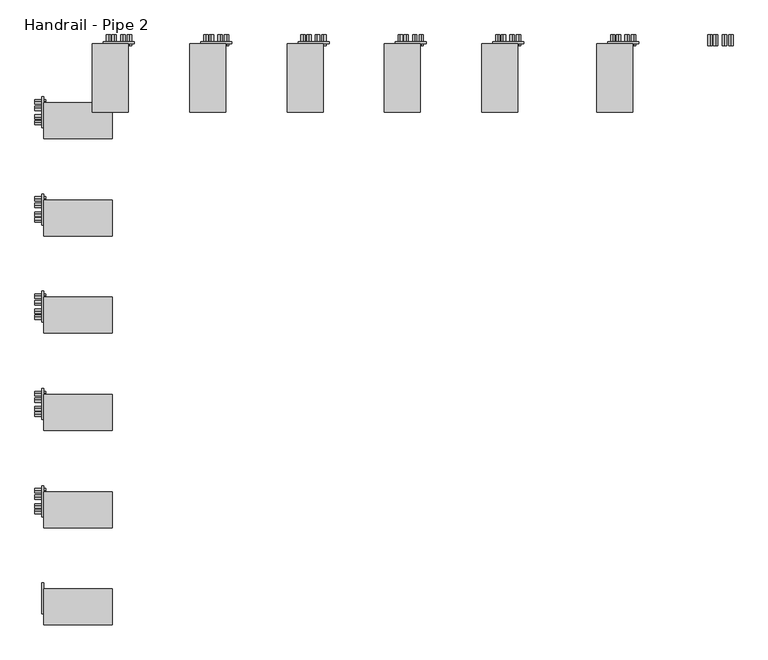
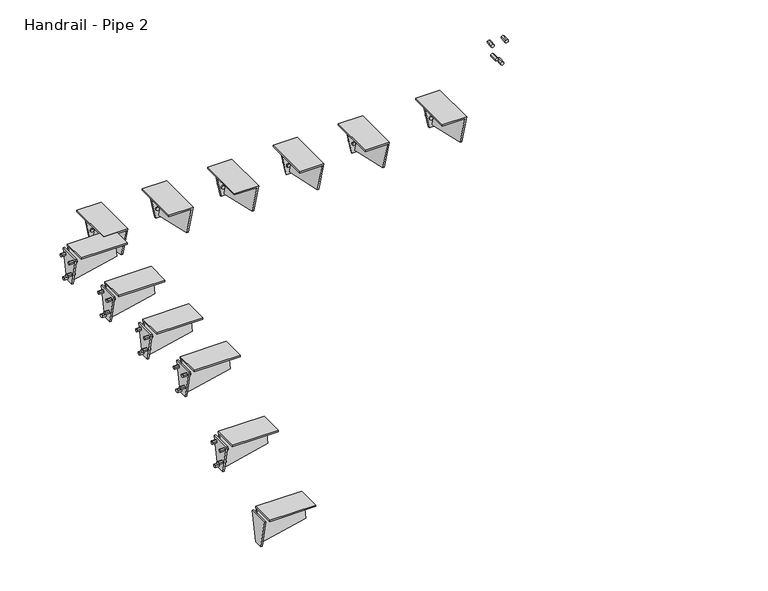
"""IFC4 building model written with IfcOpenShell, lengths in millimetres: railing geometry, Handrail - Pipe 2."""

from ifc_helpers import new_model, si_unit, frame, origin, place, context, project, spatial, polyline, outline, extrude, faceted_brep, source, transform, mapped, element, save


def handrail_pipe_2_86e8c2e3(model_context):
    return source(origin(), model_context, "Body", "SolidModel", [
        extrude(outline(polyline([(1708.0834229, -4692.4384842), (1704.4172487, -4698.7884842), (1697.0849002, -4698.7884842), (1693.418726, -4692.4384842), (1697.0849002, -4686.0884842), (1704.4172487, -4686.0884842), (1708.0834229, -4692.4384842)])), frame((0.0, 2730.2833141, 0.0), z_axis=(0.0, 1.0, 0.0), x_axis=(0.0, 0.0, 1.0)), (0.0, 0.0, 1.0), 31.75),
        extrude(outline(polyline([(1801.4837322, -4673.7584223), (1797.817558, -4680.1084223), (1790.4852096, -4680.1084223), (1786.8190354, -4673.7584223), (1790.4852096, -4667.4084223), (1797.817558, -4667.4084223), (1801.4837322, -4673.7584223)])), frame((0.0, 2730.2833141, 0.0), z_axis=(0.0, 1.0, 0.0), x_axis=(0.0, 0.0, 1.0)), (0.0, 0.0, 1.0), 31.75),
        extrude(outline(polyline([(1735.0709229, -4717.3502116), (1731.4047487, -4723.7002116), (1724.0724002, -4723.7002116), (1720.406226, -4717.3502116), (1724.0724002, -4711.0002116), (1731.4047487, -4711.0002116), (1735.0709229, -4717.3502116)])), frame((0.0, 2730.2833141, 0.0), z_axis=(0.0, 1.0, 0.0), x_axis=(0.0, 0.0, 1.0)), (0.0, 0.0, 1.0), 31.75),
        extrude(outline(polyline([(1801.4837322, -4733.6490235), (1797.817558, -4739.9990235), (1790.4852096, -4739.9990235), (1786.8190354, -4733.6490235), (1790.4852096, -4727.2990235), (1797.817558, -4727.2990235), (1801.4837322, -4733.6490235)])), frame((0.0, 2730.2833141, 0.0), z_axis=(0.0, 1.0, 0.0), x_axis=(0.0, 0.0, 1.0)), (0.0, 0.0, 1.0), 31.75),
        extrude(outline(polyline([(1642.5333333, -5027.5537229), (1515.5333333, -5002.1537229), (1515.5333333, -4964.0537229), (1642.5333333, -4938.6537229), (1642.5333333, -5027.5537229)])), frame((0.0, 2736.6333141, 0.0), z_axis=(0.0, 1.0, 0.0), x_axis=(0.0, 0.0, 1.0)), (0.0, 0.0, 1.0), 6.35),
        faceted_brep([(-4955.7987229, 2539.7833141, 1667.9333333), (-5059.3037229, 2539.7833141, 1667.9333333), (-5059.3037229, 2539.7833141, 1661.706646), (-4963.3940604, 2539.7833141, 1661.706646), (-4983.4181099, 2539.7833141, 1561.5863986), (-4977.0681099, 2539.7833141, 1561.5863986), (-4955.7987229, 2736.6333141, 1667.9333333), (-4984.5401346, 2736.6333141, 1524.2262748), (-4990.8901346, 2736.6333141, 1524.2262748), (-4963.3940604, 2736.6333141, 1661.706646), (-5059.3037229, 2736.6333141, 1661.706646), (-5059.3037229, 2736.6333141, 1667.9333333)], [[[0, 1, 2, 3, 4, 5]], [[6, 7, 8, 9, 10, 11]], [[6, 11, 1, 0]], [[11, 10, 2, 1]], [[10, 9, 3, 2]], [[9, 8, 4, 3]], [[8, 7, 5, 4]], [[7, 6, 0, 5]]]),
        extrude(outline(polyline([(1538.7500895, -4971.8384842), (1535.0839153, -4978.1884842), (1527.7515669, -4978.1884842), (1524.0853927, -4971.8384842), (1527.7515669, -4965.4884842), (1535.0839153, -4965.4884842), (1538.7500895, -4971.8384842)])), frame((0.0, 2730.2833141, 0.0), z_axis=(0.0, 1.0, 0.0), x_axis=(0.0, 0.0, 1.0)), (0.0, 0.0, 1.0), 31.75),
        extrude(outline(polyline([(1632.1503989, -4953.1584223), (1628.4842247, -4959.5084223), (1621.1518763, -4959.5084223), (1617.4857021, -4953.1584223), (1621.1518763, -4946.8084223), (1628.4842247, -4946.8084223), (1632.1503989, -4953.1584223)])), frame((0.0, 2730.2833141, 0.0), z_axis=(0.0, 1.0, 0.0), x_axis=(0.0, 0.0, 1.0)), (0.0, 0.0, 1.0), 31.75),
        extrude(outline(polyline([(1565.7375895, -4996.7502116), (1562.0714153, -5003.1002116), (1554.7390669, -5003.1002116), (1551.0728927, -4996.7502116), (1554.7390669, -4990.4002116), (1562.0714153, -4990.4002116), (1565.7375895, -4996.7502116)])), frame((0.0, 2730.2833141, 0.0), z_axis=(0.0, 1.0, 0.0), x_axis=(0.0, 0.0, 1.0)), (0.0, 0.0, 1.0), 31.75),
        extrude(outline(polyline([(1632.1503989, -5013.0490235), (1628.4842247, -5019.3990235), (1621.1518763, -5019.3990235), (1617.4857021, -5013.0490235), (1621.1518763, -5006.6990235), (1628.4842247, -5006.6990235), (1632.1503989, -5013.0490235)])), frame((0.0, 2730.2833141, 0.0), z_axis=(0.0, 1.0, 0.0), x_axis=(0.0, 0.0, 1.0)), (0.0, 0.0, 1.0), 31.75),
        extrude(outline(polyline([(1642.5333333, -5357.7537229), (1515.5333333, -5332.3537229), (1515.5333333, -5294.2537229), (1642.5333333, -5268.8537229), (1642.5333333, -5357.7537229)])), frame((0.0, 2736.6333141, 0.0), z_axis=(0.0, 1.0, 0.0), x_axis=(0.0, 0.0, 1.0)), (0.0, 0.0, 1.0), 6.35),
        faceted_brep([(-5285.9987229, 2539.7833141, 1667.9333333), (-5389.5037229, 2539.7833141, 1667.9333333), (-5389.5037229, 2539.7833141, 1661.706646), (-5293.5940604, 2539.7833141, 1661.706646), (-5313.6181099, 2539.7833141, 1561.5863986), (-5307.2681099, 2539.7833141, 1561.5863986), (-5285.9987229, 2736.6333141, 1667.9333333), (-5314.7401346, 2736.6333141, 1524.2262748), (-5321.0901346, 2736.6333141, 1524.2262748), (-5293.5940604, 2736.6333141, 1661.706646), (-5389.5037229, 2736.6333141, 1661.706646), (-5389.5037229, 2736.6333141, 1667.9333333)], [[[0, 1, 2, 3, 4, 5]], [[6, 7, 8, 9, 10, 11]], [[6, 11, 1, 0]], [[11, 10, 2, 1]], [[10, 9, 3, 2]], [[9, 8, 4, 3]], [[8, 7, 5, 4]], [[7, 6, 0, 5]]]),
        extrude(outline(polyline([(1538.7500895, -5302.0384842), (1535.0839153, -5308.3884842), (1527.7515669, -5308.3884842), (1524.0853927, -5302.0384842), (1527.7515669, -5295.6884842), (1535.0839153, -5295.6884842), (1538.7500895, -5302.0384842)])), frame((0.0, 2730.2833141, 0.0), z_axis=(0.0, 1.0, 0.0), x_axis=(0.0, 0.0, 1.0)), (0.0, 0.0, 1.0), 31.75),
        extrude(outline(polyline([(1632.1503989, -5283.3584223), (1628.4842247, -5289.7084223), (1621.1518763, -5289.7084223), (1617.4857021, -5283.3584223), (1621.1518763, -5277.0084223), (1628.4842247, -5277.0084223), (1632.1503989, -5283.3584223)])), frame((0.0, 2730.2833141, 0.0), z_axis=(0.0, 1.0, 0.0), x_axis=(0.0, 0.0, 1.0)), (0.0, 0.0, 1.0), 31.75),
        extrude(outline(polyline([(1565.7375895, -5326.9502116), (1562.0714153, -5333.3002116), (1554.7390669, -5333.3002116), (1551.0728927, -5326.9502116), (1554.7390669, -5320.6002116), (1562.0714153, -5320.6002116), (1565.7375895, -5326.9502116)])), frame((0.0, 2730.2833141, 0.0), z_axis=(0.0, 1.0, 0.0), x_axis=(0.0, 0.0, 1.0)), (0.0, 0.0, 1.0), 31.75),
        extrude(outline(polyline([(1632.1503989, -5343.2490235), (1628.4842247, -5349.5990235), (1621.1518763, -5349.5990235), (1617.4857021, -5343.2490235), (1621.1518763, -5336.8990235), (1628.4842247, -5336.8990235), (1632.1503989, -5343.2490235)])), frame((0.0, 2730.2833141, 0.0), z_axis=(0.0, 1.0, 0.0), x_axis=(0.0, 0.0, 1.0)), (0.0, 0.0, 1.0), 31.75),
        extrude(outline(polyline([(1642.5333333, -5637.1537229), (1515.5333333, -5611.7537229), (1515.5333333, -5573.6537229), (1642.5333333, -5548.2537229), (1642.5333333, -5637.1537229)])), frame((0.0, 2736.6333141, 0.0), z_axis=(0.0, 1.0, 0.0), x_axis=(0.0, 0.0, 1.0)), (0.0, 0.0, 1.0), 6.35),
        faceted_brep([(-5565.3987229, 2539.7833141, 1667.9333333), (-5668.9037229, 2539.7833141, 1667.9333333), (-5668.9037229, 2539.7833141, 1661.706646), (-5572.9940604, 2539.7833141, 1661.706646), (-5593.0181099, 2539.7833141, 1561.5863986), (-5586.6681099, 2539.7833141, 1561.5863986), (-5565.3987229, 2736.6333141, 1667.9333333), (-5594.1401346, 2736.6333141, 1524.2262748), (-5600.4901346, 2736.6333141, 1524.2262748), (-5572.9940604, 2736.6333141, 1661.706646), (-5668.9037229, 2736.6333141, 1661.706646), (-5668.9037229, 2736.6333141, 1667.9333333)], [[[0, 1, 2, 3, 4, 5]], [[6, 7, 8, 9, 10, 11]], [[6, 11, 1, 0]], [[11, 10, 2, 1]], [[10, 9, 3, 2]], [[9, 8, 4, 3]], [[8, 7, 5, 4]], [[7, 6, 0, 5]]]),
        extrude(outline(polyline([(1538.7500895, -5581.4384842), (1535.0839153, -5587.7884842), (1527.7515669, -5587.7884842), (1524.0853927, -5581.4384842), (1527.7515669, -5575.0884842), (1535.0839153, -5575.0884842), (1538.7500895, -5581.4384842)])), frame((0.0, 2730.2833141, 0.0), z_axis=(0.0, 1.0, 0.0), x_axis=(0.0, 0.0, 1.0)), (0.0, 0.0, 1.0), 31.75),
        extrude(outline(polyline([(1632.1503989, -5562.7584223), (1628.4842247, -5569.1084223), (1621.1518763, -5569.1084223), (1617.4857021, -5562.7584223), (1621.1518763, -5556.4084223), (1628.4842247, -5556.4084223), (1632.1503989, -5562.7584223)])), frame((0.0, 2730.2833141, 0.0), z_axis=(0.0, 1.0, 0.0), x_axis=(0.0, 0.0, 1.0)), (0.0, 0.0, 1.0), 31.75),
        extrude(outline(polyline([(1565.7375895, -5606.3502116), (1562.0714153, -5612.7002116), (1554.7390669, -5612.7002116), (1551.0728927, -5606.3502116), (1554.7390669, -5600.0002116), (1562.0714153, -5600.0002116), (1565.7375895, -5606.3502116)])), frame((0.0, 2730.2833141, 0.0), z_axis=(0.0, 1.0, 0.0), x_axis=(0.0, 0.0, 1.0)), (0.0, 0.0, 1.0), 31.75),
        extrude(outline(polyline([(1632.1503989, -5622.6490235), (1628.4842247, -5628.9990235), (1621.1518763, -5628.9990235), (1617.4857021, -5622.6490235), (1621.1518763, -5616.2990235), (1628.4842247, -5616.2990235), (1632.1503989, -5622.6490235)])), frame((0.0, 2730.2833141, 0.0), z_axis=(0.0, 1.0, 0.0), x_axis=(0.0, 0.0, 1.0)), (0.0, 0.0, 1.0), 31.75),
        extrude(outline(polyline([(1642.5333333, -5916.5537229), (1515.5333333, -5891.1537229), (1515.5333333, -5853.0537229), (1642.5333333, -5827.6537229), (1642.5333333, -5916.5537229)])), frame((0.0, 2736.6333141, 0.0), z_axis=(0.0, 1.0, 0.0), x_axis=(0.0, 0.0, 1.0)), (0.0, 0.0, 1.0), 6.35),
        faceted_brep([(-5844.7987229, 2539.7833141, 1667.9333333), (-5948.3037229, 2539.7833141, 1667.9333333), (-5948.3037229, 2539.7833141, 1661.706646), (-5852.3940604, 2539.7833141, 1661.706646), (-5872.4181099, 2539.7833141, 1561.5863986), (-5866.0681099, 2539.7833141, 1561.5863986), (-5844.7987229, 2736.6333141, 1667.9333333), (-5873.5401346, 2736.6333141, 1524.2262748), (-5879.8901346, 2736.6333141, 1524.2262748), (-5852.3940604, 2736.6333141, 1661.706646), (-5948.3037229, 2736.6333141, 1661.706646), (-5948.3037229, 2736.6333141, 1667.9333333)], [[[0, 1, 2, 3, 4, 5]], [[6, 7, 8, 9, 10, 11]], [[6, 11, 1, 0]], [[11, 10, 2, 1]], [[10, 9, 3, 2]], [[9, 8, 4, 3]], [[8, 7, 5, 4]], [[7, 6, 0, 5]]]),
        extrude(outline(polyline([(1538.7500895, -5860.8384842), (1535.0839153, -5867.1884842), (1527.7515669, -5867.1884842), (1524.0853927, -5860.8384842), (1527.7515669, -5854.4884842), (1535.0839153, -5854.4884842), (1538.7500895, -5860.8384842)])), frame((0.0, 2730.2833141, 0.0), z_axis=(0.0, 1.0, 0.0), x_axis=(0.0, 0.0, 1.0)), (0.0, 0.0, 1.0), 31.75),
        extrude(outline(polyline([(1632.1503989, -5842.1584223), (1628.4842247, -5848.5084223), (1621.1518763, -5848.5084223), (1617.4857021, -5842.1584223), (1621.1518763, -5835.8084223), (1628.4842247, -5835.8084223), (1632.1503989, -5842.1584223)])), frame((0.0, 2730.2833141, 0.0), z_axis=(0.0, 1.0, 0.0), x_axis=(0.0, 0.0, 1.0)), (0.0, 0.0, 1.0), 31.75),
        extrude(outline(polyline([(1565.7375895, -5885.7502116), (1562.0714153, -5892.1002116), (1554.7390669, -5892.1002116), (1551.0728927, -5885.7502116), (1554.7390669, -5879.4002116), (1562.0714153, -5879.4002116), (1565.7375895, -5885.7502116)])), frame((0.0, 2730.2833141, 0.0), z_axis=(0.0, 1.0, 0.0), x_axis=(0.0, 0.0, 1.0)), (0.0, 0.0, 1.0), 31.75),
        extrude(outline(polyline([(1632.1503989, -5902.0490235), (1628.4842247, -5908.3990235), (1621.1518763, -5908.3990235), (1617.4857021, -5902.0490235), (1621.1518763, -5895.6990235), (1628.4842247, -5895.6990235), (1632.1503989, -5902.0490235)])), frame((0.0, 2730.2833141, 0.0), z_axis=(0.0, 1.0, 0.0), x_axis=(0.0, 0.0, 1.0)), (0.0, 0.0, 1.0), 31.75),
        extrude(outline(polyline([(1642.5333333, -6195.9537229), (1515.5333333, -6170.5537229), (1515.5333333, -6132.4537229), (1642.5333333, -6107.0537229), (1642.5333333, -6195.9537229)])), frame((0.0, 2736.6333141, 0.0), z_axis=(0.0, 1.0, 0.0), x_axis=(0.0, 0.0, 1.0)), (0.0, 0.0, 1.0), 6.35),
        faceted_brep([(-6124.1987229, 2539.7833141, 1667.9333333), (-6227.7037229, 2539.7833141, 1667.9333333), (-6227.7037229, 2539.7833141, 1661.706646), (-6131.7940604, 2539.7833141, 1661.706646), (-6151.8181099, 2539.7833141, 1561.5863986), (-6145.4681099, 2539.7833141, 1561.5863986), (-6124.1987229, 2736.6333141, 1667.9333333), (-6152.9401346, 2736.6333141, 1524.2262748), (-6159.2901346, 2736.6333141, 1524.2262748), (-6131.7940604, 2736.6333141, 1661.706646), (-6227.7037229, 2736.6333141, 1661.706646), (-6227.7037229, 2736.6333141, 1667.9333333)], [[[0, 1, 2, 3, 4, 5]], [[6, 7, 8, 9, 10, 11]], [[6, 11, 1, 0]], [[11, 10, 2, 1]], [[10, 9, 3, 2]], [[9, 8, 4, 3]], [[8, 7, 5, 4]], [[7, 6, 0, 5]]]),
        extrude(outline(polyline([(1538.7500895, -6140.2384842), (1535.0839153, -6146.5884842), (1527.7515669, -6146.5884842), (1524.0853927, -6140.2384842), (1527.7515669, -6133.8884842), (1535.0839153, -6133.8884842), (1538.7500895, -6140.2384842)])), frame((0.0, 2730.2833141, 0.0), z_axis=(0.0, 1.0, 0.0), x_axis=(0.0, 0.0, 1.0)), (0.0, 0.0, 1.0), 31.75),
        extrude(outline(polyline([(1632.1503989, -6121.5584223), (1628.4842247, -6127.9084223), (1621.1518763, -6127.9084223), (1617.4857021, -6121.5584223), (1621.1518763, -6115.2084223), (1628.4842247, -6115.2084223), (1632.1503989, -6121.5584223)])), frame((0.0, 2730.2833141, 0.0), z_axis=(0.0, 1.0, 0.0), x_axis=(0.0, 0.0, 1.0)), (0.0, 0.0, 1.0), 31.75),
        extrude(outline(polyline([(1565.7375895, -6165.1502116), (1562.0714153, -6171.5002116), (1554.7390669, -6171.5002116), (1551.0728927, -6165.1502116), (1554.7390669, -6158.8002116), (1562.0714153, -6158.8002116), (1565.7375895, -6165.1502116)])), frame((0.0, 2730.2833141, 0.0), z_axis=(0.0, 1.0, 0.0), x_axis=(0.0, 0.0, 1.0)), (0.0, 0.0, 1.0), 31.75),
        extrude(outline(polyline([(1632.1503989, -6181.4490235), (1628.4842247, -6187.7990235), (1621.1518763, -6187.7990235), (1617.4857021, -6181.4490235), (1621.1518763, -6175.0990235), (1628.4842247, -6175.0990235), (1632.1503989, -6181.4490235)])), frame((0.0, 2730.2833141, 0.0), z_axis=(0.0, 1.0, 0.0), x_axis=(0.0, 0.0, 1.0)), (0.0, 0.0, 1.0), 31.75),
        extrude(outline(polyline([(1642.5333333, -6475.3537229), (1515.5333333, -6449.9537229), (1515.5333333, -6411.8537229), (1642.5333333, -6386.4537229), (1642.5333333, -6475.3537229)])), frame((0.0, 2736.6333141, 0.0), z_axis=(0.0, 1.0, 0.0), x_axis=(0.0, 0.0, 1.0)), (0.0, 0.0, 1.0), 6.35),
        faceted_brep([(-6403.5987229, 2539.7833141, 1667.9333333), (-6507.1037229, 2539.7833141, 1667.9333333), (-6507.1037229, 2539.7833141, 1661.706646), (-6411.1940604, 2539.7833141, 1661.706646), (-6431.2181099, 2539.7833141, 1561.5863986), (-6424.8681099, 2539.7833141, 1561.5863986), (-6403.5987229, 2736.6333141, 1667.9333333), (-6432.3401346, 2736.6333141, 1524.2262748), (-6438.6901346, 2736.6333141, 1524.2262748), (-6411.1940604, 2736.6333141, 1661.706646), (-6507.1037229, 2736.6333141, 1661.706646), (-6507.1037229, 2736.6333141, 1667.9333333)], [[[0, 1, 2, 3, 4, 5]], [[6, 7, 8, 9, 10, 11]], [[6, 11, 1, 0]], [[11, 10, 2, 1]], [[10, 9, 3, 2]], [[9, 8, 4, 3]], [[8, 7, 5, 4]], [[7, 6, 0, 5]]]),
        extrude(outline(polyline([(1538.7500895, -6419.6384842), (1535.0839153, -6425.9884842), (1527.7515669, -6425.9884842), (1524.0853927, -6419.6384842), (1527.7515669, -6413.2884842), (1535.0839153, -6413.2884842), (1538.7500895, -6419.6384842)])), frame((0.0, 2730.2833141, 0.0), z_axis=(0.0, 1.0, 0.0), x_axis=(0.0, 0.0, 1.0)), (0.0, 0.0, 1.0), 31.75),
        extrude(outline(polyline([(1632.1503989, -6400.9584223), (1628.4842247, -6407.3084223), (1621.1518763, -6407.3084223), (1617.4857021, -6400.9584223), (1621.1518763, -6394.6084223), (1628.4842247, -6394.6084223), (1632.1503989, -6400.9584223)])), frame((0.0, 2730.2833141, 0.0), z_axis=(0.0, 1.0, 0.0), x_axis=(0.0, 0.0, 1.0)), (0.0, 0.0, 1.0), 31.75),
        extrude(outline(polyline([(1565.7375895, -6444.5502116), (1562.0714153, -6450.9002116), (1554.7390669, -6450.9002116), (1551.0728927, -6444.5502116), (1554.7390669, -6438.2002116), (1562.0714153, -6438.2002116), (1565.7375895, -6444.5502116)])), frame((0.0, 2730.2833141, 0.0), z_axis=(0.0, 1.0, 0.0), x_axis=(0.0, 0.0, 1.0)), (0.0, 0.0, 1.0), 31.75),
        extrude(outline(polyline([(1632.1503989, -6460.8490235), (1628.4842247, -6467.1990235), (1621.1518763, -6467.1990235), (1617.4857021, -6460.8490235), (1621.1518763, -6454.4990235), (1628.4842247, -6454.4990235), (1632.1503989, -6460.8490235)])), frame((0.0, 2730.2833141, 0.0), z_axis=(0.0, 1.0, 0.0), x_axis=(0.0, 0.0, 1.0)), (0.0, 0.0, 1.0), 31.75),
        extrude(outline(polyline([(2495.3333141, 1642.5333333), (2584.2333141, 1642.5333333), (2558.8333141, 1515.5333333), (2520.7333141, 1515.5333333), (2495.3333141, 1642.5333333)])), frame((-6653.1537229, 0.0, 0.0), z_axis=(1.0, 0.0, 0.0), x_axis=(0.0, 1.0, 0.0)), (0.0, 0.0, 1.0), 6.35),
        faceted_brep([(-6449.9537229, 2567.0883141, 1667.9333333), (-6449.9537229, 2463.5833141, 1667.9333333), (-6449.9537229, 2463.5833141, 1661.706646), (-6449.9537229, 2559.4929766, 1661.706646), (-6449.9537229, 2539.4689271, 1561.5863986), (-6449.9537229, 2545.8189271, 1561.5863986), (-6646.8037229, 2567.0883141, 1667.9333333), (-6646.8037229, 2538.3469023, 1524.2262748), (-6646.8037229, 2531.9969023, 1524.2262748), (-6646.8037229, 2559.4929766, 1661.706646), (-6646.8037229, 2463.5833141, 1661.706646), (-6646.8037229, 2463.5833141, 1667.9333333)], [[[0, 1, 2, 3, 4, 5]], [[6, 7, 8, 9, 10, 11]], [[6, 11, 1, 0]], [[11, 10, 2, 1]], [[10, 9, 3, 2]], [[9, 8, 4, 3]], [[8, 7, 5, 4]], [[7, 6, 0, 5]]]),
        extrude(outline(polyline([(2551.0485528, 1538.7500895), (2557.3985528, 1535.0839153), (2557.3985528, 1527.7515669), (2551.0485528, 1524.0853927), (2544.6985528, 1527.7515669), (2544.6985528, 1535.0839153), (2551.0485528, 1538.7500895)])), frame((-6672.2037229, 0.0, 0.0), z_axis=(1.0, 0.0, 0.0), x_axis=(0.0, 1.0, 0.0)), (0.0, 0.0, 1.0), 31.75),
        extrude(outline(polyline([(2569.7286147, 1632.1503989), (2576.0786147, 1628.4842247), (2576.0786147, 1621.1518763), (2569.7286147, 1617.4857021), (2563.3786147, 1621.1518763), (2563.3786147, 1628.4842247), (2569.7286147, 1632.1503989)])), frame((-6672.2037229, 0.0, 0.0), z_axis=(1.0, 0.0, 0.0), x_axis=(0.0, 1.0, 0.0)), (0.0, 0.0, 1.0), 31.75),
        extrude(outline(polyline([(2526.1368253, 1565.7375895), (2532.4868253, 1562.0714153), (2532.4868253, 1554.7390669), (2526.1368253, 1551.0728927), (2519.7868253, 1554.7390669), (2519.7868253, 1562.0714153), (2526.1368253, 1565.7375895)])), frame((-6672.2037229, 0.0, 0.0), z_axis=(1.0, 0.0, 0.0), x_axis=(0.0, 1.0, 0.0)), (0.0, 0.0, 1.0), 31.75),
        extrude(outline(polyline([(2509.8380134, 1632.1503989), (2516.1880134, 1628.4842247), (2516.1880134, 1621.1518763), (2509.8380134, 1617.4857021), (2503.4880134, 1621.1518763), (2503.4880134, 1628.4842247), (2509.8380134, 1632.1503989)])), frame((-6672.2037229, 0.0, 0.0), z_axis=(1.0, 0.0, 0.0), x_axis=(0.0, 1.0, 0.0)), (0.0, 0.0, 1.0), 31.75),
        extrude(outline(polyline([(2215.9333141, 1642.5333333), (2304.8333141, 1642.5333333), (2279.4333141, 1515.5333333), (2241.3333141, 1515.5333333), (2215.9333141, 1642.5333333)])), frame((-6653.1537229, 0.0, 0.0), z_axis=(1.0, 0.0, 0.0), x_axis=(0.0, 1.0, 0.0)), (0.0, 0.0, 1.0), 6.35),
        faceted_brep([(-6449.9537229, 2287.6883141, 1667.9333333), (-6449.9537229, 2184.1833141, 1667.9333333), (-6449.9537229, 2184.1833141, 1661.706646), (-6449.9537229, 2280.0929766, 1661.706646), (-6449.9537229, 2260.0689271, 1561.5863986), (-6449.9537229, 2266.4189271, 1561.5863986), (-6646.8037229, 2287.6883141, 1667.9333333), (-6646.8037229, 2258.9469023, 1524.2262748), (-6646.8037229, 2252.5969023, 1524.2262748), (-6646.8037229, 2280.0929766, 1661.706646), (-6646.8037229, 2184.1833141, 1661.706646), (-6646.8037229, 2184.1833141, 1667.9333333)], [[[0, 1, 2, 3, 4, 5]], [[6, 7, 8, 9, 10, 11]], [[6, 11, 1, 0]], [[11, 10, 2, 1]], [[10, 9, 3, 2]], [[9, 8, 4, 3]], [[8, 7, 5, 4]], [[7, 6, 0, 5]]]),
        extrude(outline(polyline([(2271.6485528, 1538.7500895), (2277.9985528, 1535.0839153), (2277.9985528, 1527.7515669), (2271.6485528, 1524.0853927), (2265.2985528, 1527.7515669), (2265.2985528, 1535.0839153), (2271.6485528, 1538.7500895)])), frame((-6672.2037229, 0.0, 0.0), z_axis=(1.0, 0.0, 0.0), x_axis=(0.0, 1.0, 0.0)), (0.0, 0.0, 1.0), 31.75),
        extrude(outline(polyline([(2290.3286147, 1632.1503989), (2296.6786147, 1628.4842247), (2296.6786147, 1621.1518763), (2290.3286147, 1617.4857021), (2283.9786147, 1621.1518763), (2283.9786147, 1628.4842247), (2290.3286147, 1632.1503989)])), frame((-6672.2037229, 0.0, 0.0), z_axis=(1.0, 0.0, 0.0), x_axis=(0.0, 1.0, 0.0)), (0.0, 0.0, 1.0), 31.75),
        extrude(outline(polyline([(2246.7368253, 1565.7375895), (2253.0868253, 1562.0714153), (2253.0868253, 1554.7390669), (2246.7368253, 1551.0728927), (2240.3868253, 1554.7390669), (2240.3868253, 1562.0714153), (2246.7368253, 1565.7375895)])), frame((-6672.2037229, 0.0, 0.0), z_axis=(1.0, 0.0, 0.0), x_axis=(0.0, 1.0, 0.0)), (0.0, 0.0, 1.0), 31.75),
        extrude(outline(polyline([(2230.4380134, 1632.1503989), (2236.7880134, 1628.4842247), (2236.7880134, 1621.1518763), (2230.4380134, 1617.4857021), (2224.0880134, 1621.1518763), (2224.0880134, 1628.4842247), (2230.4380134, 1632.1503989)])), frame((-6672.2037229, 0.0, 0.0), z_axis=(1.0, 0.0, 0.0), x_axis=(0.0, 1.0, 0.0)), (0.0, 0.0, 1.0), 31.75),
        extrude(outline(polyline([(1936.5333141, 1642.5333333), (2025.4333141, 1642.5333333), (2000.0333141, 1515.5333333), (1961.9333141, 1515.5333333), (1936.5333141, 1642.5333333)])), frame((-6653.1537229, 0.0, 0.0), z_axis=(1.0, 0.0, 0.0), x_axis=(0.0, 1.0, 0.0)), (0.0, 0.0, 1.0), 6.35),
        faceted_brep([(-6449.9537229, 2008.2883141, 1667.9333333), (-6449.9537229, 1904.7833141, 1667.9333333), (-6449.9537229, 1904.7833141, 1661.706646), (-6449.9537229, 2000.6929766, 1661.706646), (-6449.9537229, 1980.6689271, 1561.5863986), (-6449.9537229, 1987.0189271, 1561.5863986), (-6646.8037229, 2008.2883141, 1667.9333333), (-6646.8037229, 1979.5469023, 1524.2262748), (-6646.8037229, 1973.1969023, 1524.2262748), (-6646.8037229, 2000.6929766, 1661.706646), (-6646.8037229, 1904.7833141, 1661.706646), (-6646.8037229, 1904.7833141, 1667.9333333)], [[[0, 1, 2, 3, 4, 5]], [[6, 7, 8, 9, 10, 11]], [[6, 11, 1, 0]], [[11, 10, 2, 1]], [[10, 9, 3, 2]], [[9, 8, 4, 3]], [[8, 7, 5, 4]], [[7, 6, 0, 5]]]),
        extrude(outline(polyline([(1992.2485528, 1538.7500895), (1998.5985528, 1535.0839153), (1998.5985528, 1527.7515669), (1992.2485528, 1524.0853927), (1985.8985528, 1527.7515669), (1985.8985528, 1535.0839153), (1992.2485528, 1538.7500895)])), frame((-6672.2037229, 0.0, 0.0), z_axis=(1.0, 0.0, 0.0), x_axis=(0.0, 1.0, 0.0)), (0.0, 0.0, 1.0), 31.75),
        extrude(outline(polyline([(2010.9286147, 1632.1503989), (2017.2786147, 1628.4842247), (2017.2786147, 1621.1518763), (2010.9286147, 1617.4857021), (2004.5786147, 1621.1518763), (2004.5786147, 1628.4842247), (2010.9286147, 1632.1503989)])), frame((-6672.2037229, 0.0, 0.0), z_axis=(1.0, 0.0, 0.0), x_axis=(0.0, 1.0, 0.0)), (0.0, 0.0, 1.0), 31.75),
        extrude(outline(polyline([(1967.3368253, 1565.7375895), (1973.6868253, 1562.0714153), (1973.6868253, 1554.7390669), (1967.3368253, 1551.0728927), (1960.9868253, 1554.7390669), (1960.9868253, 1562.0714153), (1967.3368253, 1565.7375895)])), frame((-6672.2037229, 0.0, 0.0), z_axis=(1.0, 0.0, 0.0), x_axis=(0.0, 1.0, 0.0)), (0.0, 0.0, 1.0), 31.75),
        extrude(outline(polyline([(1951.0380134, 1632.1503989), (1957.3880134, 1628.4842247), (1957.3880134, 1621.1518763), (1951.0380134, 1617.4857021), (1944.6880134, 1621.1518763), (1944.6880134, 1628.4842247), (1951.0380134, 1632.1503989)])), frame((-6672.2037229, 0.0, 0.0), z_axis=(1.0, 0.0, 0.0), x_axis=(0.0, 1.0, 0.0)), (0.0, 0.0, 1.0), 31.75),
        extrude(outline(polyline([(1657.1333141, 1642.5333333), (1746.0333141, 1642.5333333), (1720.6333141, 1515.5333333), (1682.5333141, 1515.5333333), (1657.1333141, 1642.5333333)])), frame((-6653.1537229, 0.0, 0.0), z_axis=(1.0, 0.0, 0.0), x_axis=(0.0, 1.0, 0.0)), (0.0, 0.0, 1.0), 6.35),
        faceted_brep([(-6449.9537229, 1728.8883141, 1667.9333333), (-6449.9537229, 1625.3833141, 1667.9333333), (-6449.9537229, 1625.3833141, 1661.706646), (-6449.9537229, 1721.2929766, 1661.706646), (-6449.9537229, 1701.2689271, 1561.5863986), (-6449.9537229, 1707.6189271, 1561.5863986), (-6646.8037229, 1728.8883141, 1667.9333333), (-6646.8037229, 1700.1469023, 1524.2262748), (-6646.8037229, 1693.7969023, 1524.2262748), (-6646.8037229, 1721.2929766, 1661.706646), (-6646.8037229, 1625.3833141, 1661.706646), (-6646.8037229, 1625.3833141, 1667.9333333)], [[[0, 1, 2, 3, 4, 5]], [[6, 7, 8, 9, 10, 11]], [[6, 11, 1, 0]], [[11, 10, 2, 1]], [[10, 9, 3, 2]], [[9, 8, 4, 3]], [[8, 7, 5, 4]], [[7, 6, 0, 5]]]),
        extrude(outline(polyline([(1712.8485528, 1538.7500895), (1719.1985528, 1535.0839153), (1719.1985528, 1527.7515669), (1712.8485528, 1524.0853927), (1706.4985528, 1527.7515669), (1706.4985528, 1535.0839153), (1712.8485528, 1538.7500895)])), frame((-6672.2037229, 0.0, 0.0), z_axis=(1.0, 0.0, 0.0), x_axis=(0.0, 1.0, 0.0)), (0.0, 0.0, 1.0), 31.75),
        extrude(outline(polyline([(1731.5286147, 1632.1503989), (1737.8786147, 1628.4842247), (1737.8786147, 1621.1518763), (1731.5286147, 1617.4857021), (1725.1786147, 1621.1518763), (1725.1786147, 1628.4842247), (1731.5286147, 1632.1503989)])), frame((-6672.2037229, 0.0, 0.0), z_axis=(1.0, 0.0, 0.0), x_axis=(0.0, 1.0, 0.0)), (0.0, 0.0, 1.0), 31.75),
        extrude(outline(polyline([(1687.9368253, 1565.7375895), (1694.2868253, 1562.0714153), (1694.2868253, 1554.7390669), (1687.9368253, 1551.0728927), (1681.5868253, 1554.7390669), (1681.5868253, 1562.0714153), (1687.9368253, 1565.7375895)])), frame((-6672.2037229, 0.0, 0.0), z_axis=(1.0, 0.0, 0.0), x_axis=(0.0, 1.0, 0.0)), (0.0, 0.0, 1.0), 31.75),
        extrude(outline(polyline([(1671.6380134, 1632.1503989), (1677.9880134, 1628.4842247), (1677.9880134, 1621.1518763), (1671.6380134, 1617.4857021), (1665.2880134, 1621.1518763), (1665.2880134, 1628.4842247), (1671.6380134, 1632.1503989)])), frame((-6672.2037229, 0.0, 0.0), z_axis=(1.0, 0.0, 0.0), x_axis=(0.0, 1.0, 0.0)), (0.0, 0.0, 1.0), 31.75),
        extrude(outline(polyline([(1377.7333141, 1473.2), (1466.6333141, 1473.2), (1441.2333141, 1346.2), (1403.1333141, 1346.2), (1377.7333141, 1473.2)])), frame((-6653.1537229, 0.0, 0.0), z_axis=(1.0, 0.0, 0.0), x_axis=(0.0, 1.0, 0.0)), (0.0, 0.0, 1.0), 6.35),
        faceted_brep([(-6449.9537229, 1449.4883141, 1498.6), (-6449.9537229, 1345.9833141, 1498.6), (-6449.9537229, 1345.9833141, 1492.3733127), (-6449.9537229, 1441.8929766, 1492.3733127), (-6449.9537229, 1421.8689271, 1392.2530652), (-6449.9537229, 1428.2189271, 1392.2530652), (-6646.8037229, 1449.4883141, 1498.6), (-6646.8037229, 1420.7469023, 1354.8929415), (-6646.8037229, 1414.3969023, 1354.8929415), (-6646.8037229, 1441.8929766, 1492.3733127), (-6646.8037229, 1345.9833141, 1492.3733127), (-6646.8037229, 1345.9833141, 1498.6)], [[[0, 1, 2, 3, 4, 5]], [[6, 7, 8, 9, 10, 11]], [[6, 11, 1, 0]], [[11, 10, 2, 1]], [[10, 9, 3, 2]], [[9, 8, 4, 3]], [[8, 7, 5, 4]], [[7, 6, 0, 5]]]),
        extrude(outline(polyline([(1433.4485528, 1369.4167562), (1439.7985528, 1365.750582), (1439.7985528, 1358.4182336), (1433.4485528, 1354.7520594), (1427.0985528, 1358.4182336), (1427.0985528, 1365.750582), (1433.4485528, 1369.4167562)])), frame((-6672.2037229, 0.0, 0.0), z_axis=(1.0, 0.0, 0.0), x_axis=(0.0, 1.0, 0.0)), (0.0, 0.0, 1.0), 31.75),
        extrude(outline(polyline([(1452.1286147, 1462.8170656), (1458.4786147, 1459.1508913), (1458.4786147, 1451.8185429), (1452.1286147, 1448.1523687), (1445.7786147, 1451.8185429), (1445.7786147, 1459.1508913), (1452.1286147, 1462.8170656)])), frame((-6672.2037229, 0.0, 0.0), z_axis=(1.0, 0.0, 0.0), x_axis=(0.0, 1.0, 0.0)), (0.0, 0.0, 1.0), 31.75),
        extrude(outline(polyline([(1408.5368253, 1396.4042562), (1414.8868253, 1392.738082), (1414.8868253, 1385.4057336), (1408.5368253, 1381.7395594), (1402.1868253, 1385.4057336), (1402.1868253, 1392.738082), (1408.5368253, 1396.4042562)])), frame((-6672.2037229, 0.0, 0.0), z_axis=(1.0, 0.0, 0.0), x_axis=(0.0, 1.0, 0.0)), (0.0, 0.0, 1.0), 31.75),
        extrude(outline(polyline([(1392.2380134, 1462.8170656), (1398.5880134, 1459.1508913), (1398.5880134, 1451.8185429), (1392.2380134, 1448.1523687), (1385.8880134, 1451.8185429), (1385.8880134, 1459.1508913), (1392.2380134, 1462.8170656)])), frame((-6672.2037229, 0.0, 0.0), z_axis=(1.0, 0.0, 0.0), x_axis=(0.0, 1.0, 0.0)), (0.0, 0.0, 1.0), 31.75),
        extrude(outline(polyline([(1098.3333141, 1303.8666667), (1187.2333141, 1303.8666667), (1161.8333141, 1176.8666667), (1123.7333141, 1176.8666667), (1098.3333141, 1303.8666667)])), frame((-6653.1537229, 0.0, 0.0), z_axis=(1.0, 0.0, 0.0), x_axis=(0.0, 1.0, 0.0)), (0.0, 0.0, 1.0), 6.35),
        faceted_brep([(-6449.9537229, 1170.0883141, 1329.2666667), (-6449.9537229, 1066.5833141, 1329.2666667), (-6449.9537229, 1066.5833141, 1323.0399794), (-6449.9537229, 1162.4929766, 1323.0399794), (-6449.9537229, 1142.4689271, 1222.9197319), (-6449.9537229, 1148.8189271, 1222.9197319), (-6646.8037229, 1170.0883141, 1329.2666667), (-6646.8037229, 1141.3469023, 1185.5596081), (-6646.8037229, 1134.9969023, 1185.5596081), (-6646.8037229, 1162.4929766, 1323.0399794), (-6646.8037229, 1066.5833141, 1323.0399794), (-6646.8037229, 1066.5833141, 1329.2666667)], [[[0, 1, 2, 3, 4, 5]], [[6, 7, 8, 9, 10, 11]], [[6, 11, 1, 0]], [[11, 10, 2, 1]], [[10, 9, 3, 2]], [[9, 8, 4, 3]], [[8, 7, 5, 4]], [[7, 6, 0, 5]]]),
    ])


if __name__ == "__main__":
    model = new_model("IFC4")
    model_context = context("Model", 3, world=origin())
    ifc_project = project(units=[si_unit("LENGTHUNIT", "METRE", prefix="MILLI")], contexts=[model_context])
    site = spatial("IfcSite", under=ifc_project)
    building = spatial("IfcBuilding", under=site)
    placement = place(None, origin())
    handrail_pipe_2_shape = handrail_pipe_2_86e8c2e3(model_context)
    element("IfcRailing", 1, ObjectType="Handrail - Pipe 2", at=placement, inside=building, context=model_context, shape_type="MappedRepresentation", body=[
        mapped(handrail_pipe_2_shape, transform((0.0, 0.0, 0.0), x_axis=(1.0, 0.0, 0.0), y_axis=(0.0, 1.0, 0.0), z_axis=(0.0, 0.0, 1.0))),
    ])
    save(model, "model.ifc")
